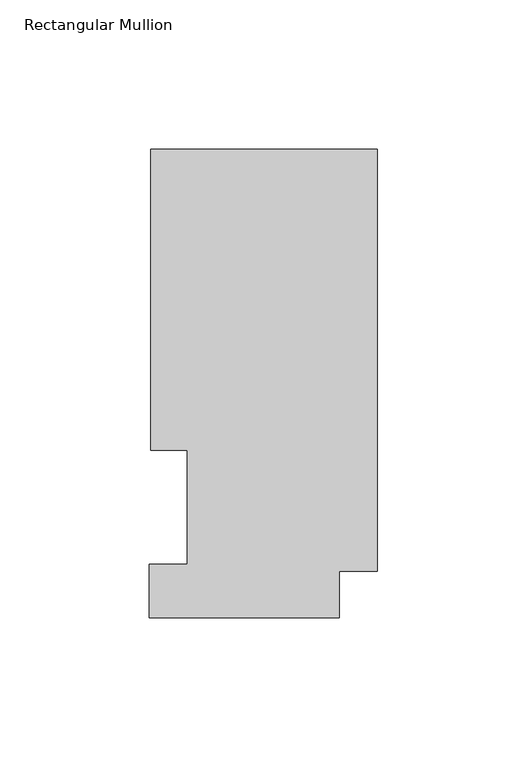
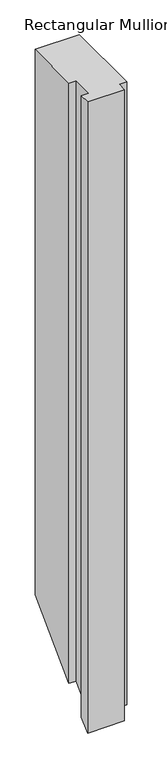
"""IFC4 building model written with IfcOpenShell, lengths in millimetres: member geometry, Rectangular Mullion."""

from ifc_helpers import new_model, si_unit, origin, place, context, project, spatial, faceted_brep, source, transform, mapped, element, save


def rectangular_mullion_2488faff(model_context):
    return source(origin(), model_context, "Body", "Brep", [
        faceted_brep([(-75.7936, 157.3395063, 0.0), (-75.7936, 56.6539063, 0.0), (-63.5, 56.6539063, 0.0), (-63.5, 18.5539063, 0.0), (-76.2, 18.5539063, 0.0), (-76.2, 0.5199063, 0.0), (-12.7, 0.5199063, 0.0), (-12.7, 16.1663063, 0.0), (0.0, 16.1663063, 0.0), (0.0, 157.3395063, 0.0), (-75.7936, 157.3395063, -991.4256107), (-75.7936, 56.6539063, -1092.1112107), (-63.5, 56.6539063, -1092.1112107), (-63.5, 18.5539063, -1130.2112107), (-76.2, 18.5539063, -1130.2112107), (-76.2, 0.5199063, -1148.2452107), (-12.7, 0.5199063, -1148.2452107), (-12.7, 16.1663063, -1132.5988107), (0.0, 16.1663063, -1132.5988107), (0.0, 157.3395063, -991.4256107)], [[[0, 1, 2, 3, 4, 5, 6, 7, 8, 9]], [[1, 0, 10, 11]], [[2, 1, 11, 12]], [[3, 2, 12, 13]], [[4, 3, 13, 14]], [[5, 4, 14, 15]], [[6, 5, 15, 16]], [[7, 6, 16, 17]], [[8, 7, 17, 18]], [[9, 8, 18, 19]], [[0, 9, 19, 10]], [[10, 19, 18, 17, 16, 15, 14, 13, 12, 11]]]),
    ])


if __name__ == "__main__":
    model = new_model("IFC4")
    model_context = context("Model", 3, world=origin())
    ifc_project = project(units=[si_unit("LENGTHUNIT", "METRE", prefix="MILLI")], contexts=[model_context])
    site = spatial("IfcSite", under=ifc_project)
    building = spatial("IfcBuilding", under=site)
    placement = place(None, origin())
    rectangular_mullion_shape = rectangular_mullion_2488faff(model_context)
    element("IfcMember", 1, ObjectType="Rectangular Mullion", at=placement, inside=building, context=model_context, shape_type="MappedRepresentation", body=[
        mapped(rectangular_mullion_shape, transform((0.0, 0.0, 0.0), x_axis=(1.0, 0.0, 0.0), y_axis=(0.0, 1.0, 0.0), z_axis=(0.0, 0.0, 1.0))),
    ])
    save(model, "model.ifc")
